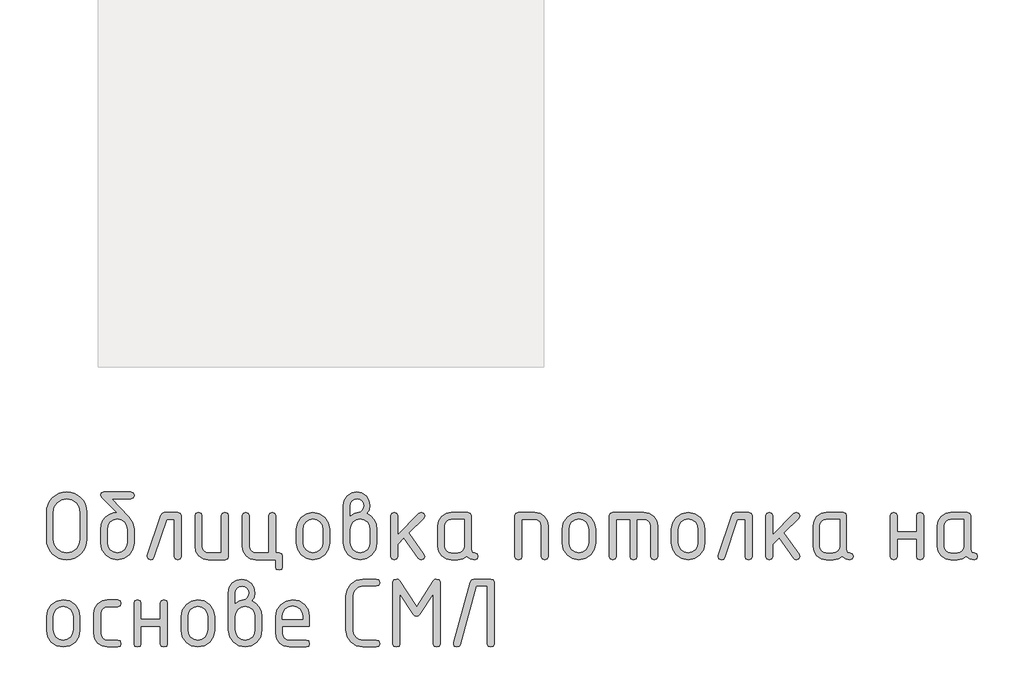
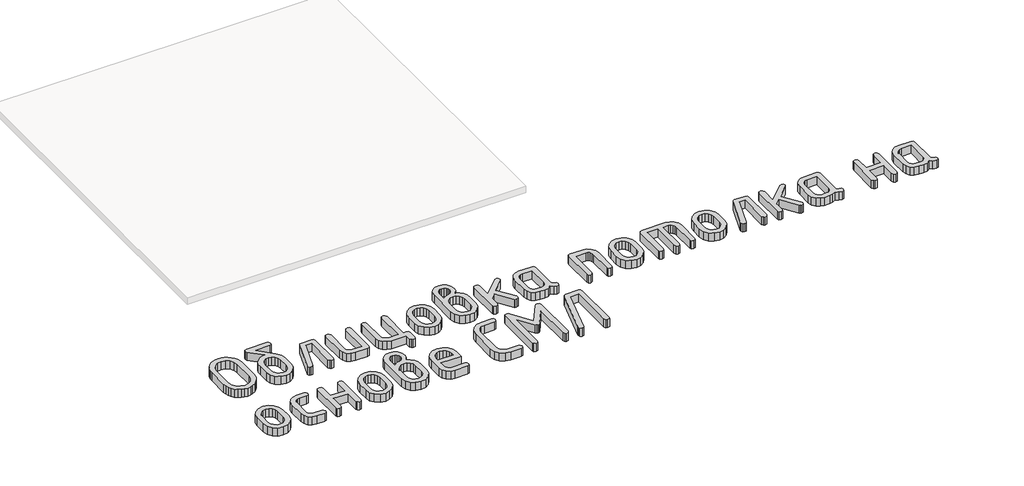
# One storey, part 25 of 33: 1 proxy.
"""IFC4 building model written with IfcOpenShell, lengths in millimetres."""

from ifc_helpers import new_model, si_unit, origin, origin_with_axes, place, context, project, spatial, polyline, outline, extrude, element, save

model = new_model("IFC4")

# Units and contexts
model_context = context("Model", 3, world=origin())
ifc_project = project(units=[si_unit("LENGTHUNIT", "METRE", prefix="MILLI")], contexts=[model_context])

# Site, building, storey
site = spatial("IfcSite", under=ifc_project)
building = spatial("IfcBuilding", under=site)
storey = spatial("IfcBuildingStorey", under=building, Elevation=0.0)

# Proxy
placement = place(None, origin())
element("IfcBuildingElementProxy", 1, Name="Generic Models", at=placement, inside=storey, context=model_context, shape_type="SweptSolid", body=[
    extrude(outline(polyline([(14447.5187326, 3042.3132523), (14445.8643368, 3024.0795908), (14440.9011492, 3007.2279551), (14432.62917, 2991.7583452), (14421.0483991, 2977.6707611), (14407.1272634, 2965.9487613), (14391.8341896, 2957.5759043), (14375.1691779, 2952.5521901), (14357.1322281, 2950.8776187), (14339.0952783, 2952.5521901), (14322.4302665, 2957.5759043), (14307.1371928, 2965.9487613), (14293.216057, 2977.6707611), (14281.6352861, 2991.7583452), (14273.3633069, 3007.2279551), (14268.4001194, 3024.0795908), (14266.7457235, 3042.3132523), (14266.7457235, 3164.173629), (14268.4001194, 3182.4072905), (14273.3633069, 3199.2589262), (14281.6352861, 3214.7285361), (14293.216057, 3228.8161202), (14307.1371928, 3240.53812), (14322.4302665, 3248.910977), (14339.0952783, 3253.9346912), (14357.1322281, 3255.6092626), (14375.2675337, 3253.942257), (14391.9855063, 3248.9412403), (14407.2861459, 3240.6062125), (14421.1694525, 3228.9371735), (14432.6972625, 3214.8874186), (14440.9314126, 3199.4102428), (14445.8719026, 3182.5056463), (14447.5187326, 3164.173629), (14447.5187326, 3042.3132523)]), holes=[polyline([(14416.5290739, 3042.555359), (14416.5290739, 3163.9315223), (14412.2215921, 3187.4562241), (14399.2991465, 3207.0265164), (14380.1424532, 3220.221332), (14357.1322281, 3224.6196039), (14334.122003, 3220.221332), (14314.9653097, 3207.0265164), (14302.0428641, 3187.4562241), (14297.7353822, 3163.9315223), (14297.7353822, 3042.555359), (14302.0428641, 3019.0306572), (14314.9653097, 2999.4603649), (14334.122003, 2986.2655493), (14357.1322281, 2981.8672774), (14380.1424532, 2986.2655493), (14399.2991465, 2999.4603649), (14412.2215921, 3019.0306572), (14416.5290739, 3042.555359)])]), origin_with_axes(), (0.0, 0.0, 1.0), 50.0),
    extrude(outline(polyline([(14659.2814004, 3087.7486113), (14659.2814004, 3026.8991252), (14653.8037361, 2997.6748279), (14637.3707433, 2973.1110848), (14613.1701602, 2956.4359852), (14584.3897252, 2950.8776187), (14555.6092902, 2956.446073), (14531.4087071, 2973.1514359), (14514.9757143, 2997.7656179), (14509.49805, 3027.0605297), (14509.49805, 3087.990718), (14512.0906094, 3109.4222056), (14519.8682874, 3127.797096), (14532.8310841, 3143.1153892), (14550.9789994, 3155.3770852), (14566.6957599, 3161.974493), (14581.242338, 3164.173629), (14514.6629931, 3231.156485), (14509.49805, 3240.1144332), (14513.2305284, 3251.7355552), (14524.4279637, 3255.6092626), (14644.3514867, 3255.6092626), (14655.548922, 3251.7355552), (14659.2814004, 3240.1144332), (14655.548922, 3228.4933112), (14644.3514867, 3224.6196039), (14559.372032, 3224.6196039), (14634.7479206, 3144.2401766), (14653.1480304, 3116.9628208), (14659.2814004, 3087.7486113)]), holes=[polyline([(14628.2917417, 3027.3833386), (14628.2917417, 3087.990718), (14625.07374, 3105.422401), (14615.419735, 3120.110208), (14601.2262292, 3130.0971097), (14584.3897252, 3133.426077), (14567.5532212, 3130.0971097), (14553.3597154, 3120.110208), (14543.7057104, 3105.422401), (14540.4877087, 3087.990718), (14540.4877087, 3027.3833386), (14543.675447, 3009.7902511), (14553.238662, 2995.1024441), (14567.4019045, 2985.1760691), (14584.3897252, 2981.8672774), (14601.2262292, 2985.1962446), (14615.419735, 2995.1831464), (14625.07374, 3009.8911289), (14628.2917417, 3027.3833386)])]), origin_with_axes(), (0.0, 0.0, 1.0), 50.0),
    extrude(outline(polyline([(14794.6190505, 3162.6402865), (14855.5492388, 3162.6402865), (14867.1703608, 3158.8674569), (14871.0440682, 3147.5489683), (14871.0440682, 2965.9689369), (14867.1703608, 2954.6504482), (14855.5492388, 2950.8776187), (14843.9281168, 2954.6504482), (14840.0544095, 2965.9689369), (14840.0544095, 3131.6506278), (14805.4331501, 3131.6506278), (14748.2959669, 2961.1268027), (14742.9897949, 2953.4399147), (14734.0116711, 2950.8776187), (14722.6326558, 2954.7109749), (14718.8396507, 2966.2110436), (14719.5659708, 2970.811071), (14779.4470301, 3150.2928443), (14785.3382933, 3159.5534259), (14794.6190505, 3162.6402865)])), origin_with_axes(), (0.0, 0.0, 1.0), 50.0),
    extrude(outline(polyline([(15082.8067359, 3147.5489683), (15082.8067359, 2965.9689369), (15079.054082, 2954.6504482), (15067.79612, 2950.8776187), (14992.9044448, 2950.8776187), (14969.6823764, 2955.255715), (14950.3743663, 2968.390004), (14937.3611308, 2987.8997696), (14933.0233856, 3011.4042958), (14933.0233856, 3147.5489683), (14936.8970929, 3158.8674569), (14948.5182149, 3162.6402865), (14960.1393369, 3158.8674569), (14964.0130443, 3147.5489683), (14964.0130443, 3011.9692115), (14966.1718291, 3000.5397573), (14972.6481835, 2990.7848745), (14982.1306963, 2984.0966767), (14993.307956, 2981.8672774), (15051.8170772, 2981.8672774), (15051.8170772, 3147.5489683), (15055.6907846, 3158.8674569), (15067.3119066, 3162.6402865), (15078.9330286, 3158.8674569), (15082.8067359, 3147.5489683)])), origin_with_axes(), (0.0, 0.0, 1.0), 50.0),
    extrude(outline(polyline([(15310.0642331, 2981.8672774), (15321.6853551, 2977.9935701), (15325.5590624, 2966.3724481), (15325.5590624, 2919.88796), (15321.6853551, 2908.266838), (15310.0642331, 2904.3931307), (15298.4431111, 2908.266838), (15294.5694037, 2919.88796), (15294.5694037, 2950.8776187), (15204.6671126, 2950.8776187), (15181.4450441, 2955.2859784), (15162.1370341, 2968.5110573), (15149.1237985, 2988.0510862), (15144.7860533, 3011.4042958), (15144.7860533, 3147.5489683), (15148.6597607, 3158.8674569), (15160.2808827, 3162.6402865), (15171.9020047, 3158.8674569), (15175.775712, 3147.5489683), (15175.775712, 3011.9692115), (15177.9344969, 3000.5397573), (15184.4108513, 2990.7848745), (15193.8933641, 2984.0966767), (15205.0706238, 2981.8672774), (15263.579745, 2981.8672774), (15263.579745, 3147.5489683), (15267.4534524, 3158.8674569), (15279.0745744, 3162.6402865), (15290.6956964, 3158.8674569), (15294.5694037, 3147.5489683), (15294.5694037, 2981.8672774), (15310.0642331, 2981.8672774)])), origin_with_axes(), (0.0, 0.0, 1.0), 50.0),
    extrude(outline(polyline([(15387.5383798, 3026.495614), (15387.5383798, 3087.0222912), (15393.0160441, 3116.0952718), (15409.4490369, 3140.5278738), (15433.64962, 3157.1121833), (15462.430055, 3162.6402865), (15491.5131234, 3157.17271), (15515.6531798, 3140.7699805), (15531.9045926, 3116.3979051), (15537.3217302, 3087.0222912), (15537.3217302, 3026.495614), (15531.8440659, 2997.4226334), (15515.4110731, 2972.9900314), (15491.21049, 2956.4057219), (15462.430055, 2950.8776187), (15433.64962, 2956.4057219), (15409.4490369, 2972.9900314), (15393.0160441, 2997.4226334), (15387.5383798, 3026.495614)]), holes=[polyline([(15506.3320715, 3027.3833386), (15506.3320715, 3087.990718), (15503.1140698, 3105.422401), (15493.4600648, 3120.110208), (15479.266559, 3130.0971097), (15462.430055, 3133.426077), (15445.593551, 3130.0971097), (15431.4000452, 3120.110208), (15421.7460402, 3105.422401), (15418.5280385, 3087.990718), (15418.5280385, 3027.3833386), (15421.7157768, 3009.7902511), (15431.2789918, 2995.1024441), (15445.4422343, 2985.1760691), (15462.430055, 2981.8672774), (15479.266559, 2985.1962446), (15493.4600648, 2995.1831464), (15503.1140698, 3009.8911289), (15506.3320715, 3027.3833386)])]), origin_with_axes(), (0.0, 0.0, 1.0), 50.0),
    extrude(outline(polyline([(15704.1332524, 3157.9595568), (15722.6645034, 3146.5704537), (15736.9387114, 3129.9962319), (15746.0479763, 3109.9114629), (15749.084398, 3087.990718), (15749.084398, 3027.0605297), (15743.6067337, 2997.6143012), (15727.1737408, 2973.0303825), (15702.9731578, 2956.4158097), (15674.1927228, 2950.8776187), (15645.2609711, 2956.446073), (15621.0906514, 2973.1514359), (15604.7484485, 2997.7656179), (15599.3010476, 3027.0605297), (15599.3010476, 3194.6790742), (15603.628705, 3218.2844783), (15616.6116773, 3237.9354728), (15635.7885461, 3251.1908151), (15658.6978934, 3255.6092626), (15681.7081185, 3251.1605518), (15700.8648118, 3237.8144195), (15713.7872574, 3218.1331616), (15718.0947393, 3194.6790742), (15714.6043676, 3173.9587751), (15704.1332524, 3157.9595568)]), holes=[polyline([(15718.0947393, 3027.3833386), (15718.0947393, 3087.990718), (15714.9070009, 3105.422401), (15705.343786, 3120.110208), (15691.1805435, 3130.0971097), (15674.1927228, 3133.426077), (15657.2049021, 3130.0971097), (15643.0416596, 3120.110208), (15633.4784446, 3105.422401), (15630.2907063, 3087.990718), (15630.2907063, 3027.3833386), (15633.4784446, 3009.7902511), (15643.0416596, 2995.1024441), (15657.2049021, 2985.1760691), (15674.1927228, 2981.8672774), (15691.1805435, 2985.1962446), (15705.343786, 2995.1831464), (15714.9070009, 3009.8911289), (15718.0947393, 3027.3833386)]), polyline([(15630.2907063, 3147.8717773), (15648.7715184, 3159.1902659), (15665.6382857, 3162.9630954), (15674.7172873, 3165.6060937), (15683.0699688, 3173.5350884), (15688.9410564, 3183.4009367), (15690.8980857, 3193.3071362), (15688.7191253, 3205.1098383), (15682.1822442, 3214.8546333), (15672.4172736, 3221.3915144), (15660.5540449, 3223.5704748), (15648.9026595, 3221.3612511), (15639.1276012, 3214.7335799), (15632.49993, 3204.9585216), (15630.2907063, 3193.3071362), (15630.2907063, 3147.8717773)])]), origin_with_axes(), (0.0, 0.0, 1.0), 50.0),
    extrude(outline(polyline([(15842.0533741, 3063.2151315), (15937.2820128, 3158.2823657), (15948.0961124, 3162.6402865), (15959.4751277, 3158.8674569), (15963.2681328, 3147.5489683), (15958.6681054, 3136.9769754), (15892.0887605, 3070.4783327), (15960.2821501, 2974.6847784), (15963.2681328, 2965.8075324), (15959.4751277, 2954.6100971), (15948.0961124, 2950.8776187), (15940.9539645, 2952.4916634), (15935.5065636, 2957.3337976), (15870.2991567, 3048.9308357), (15842.0533741, 3020.685053), (15842.0533741, 2966.0496391), (15838.1796667, 2954.6706238), (15826.5585447, 2950.8776187), (15814.9374227, 2954.6504482), (15811.0637154, 2965.9689369), (15811.0637154, 3147.5489683), (15814.9374227, 3158.8674569), (15826.5585447, 3162.6402865), (15838.1796667, 3158.8674569), (15842.0533741, 3147.5489683), (15842.0533741, 3063.2151315)])), origin_with_axes(), (0.0, 0.0, 1.0), 50.0),
    extrude(outline(polyline([(16202.8730721, 2965.9689369), (16199.1002426, 2954.6504482), (16187.7817539, 2950.8776187), (16168.6351484, 2954.892555), (16153.3218991, 2966.9373637), (16134.9016137, 2954.892555), (16112.7286743, 2950.8776187), (16082.7074424, 2950.8776187), (16059.4853739, 2955.255715), (16040.1773639, 2968.390004), (16027.1641283, 2987.8997696), (16022.8263831, 3011.4042958), (16022.8263831, 3102.1136093), (16027.1641283, 3125.6181356), (16040.1773639, 3145.1279012), (16059.4853739, 3158.2621902), (16082.7074424, 3162.6402865), (16157.5991176, 3162.6402865), (16168.8570795, 3158.8674569), (16172.6097335, 3147.5489683), (16172.6097335, 2996.2322754), (16176.3926508, 2984.9137868), (16187.7414028, 2981.1409573), (16199.0901548, 2977.3479522), (16202.8730721, 2965.9689369)]), holes=[polyline([(16141.6200748, 3131.6506278), (16083.1109536, 3131.6506278), (16071.8328161, 3129.4615796), (16062.3704789, 3122.8944352), (16055.9546511, 3113.2202546), (16053.8160418, 3101.7100982), (16053.8160418, 3011.807807), (16055.9748267, 3000.3985284), (16062.4511811, 2990.7041723), (16071.9336939, 2984.0765011), (16083.1109536, 2981.8672774), (16112.3251631, 2981.8672774), (16123.6033006, 2984.0563256), (16133.0656378, 2990.62347), (16139.4814656, 3000.2976506), (16141.6200748, 3011.807807), (16141.6200748, 3131.6506278)])]), origin_with_axes(), (0.0, 0.0, 1.0), 50.0),
    extrude(outline(polyline([(16368.877572, 2965.9689369), (16368.877572, 3147.5489683), (16372.6302259, 3158.8674569), (16383.8881879, 3162.6402865), (16458.7798631, 3162.6402865), (16481.8506148, 3158.2319268), (16501.1888882, 3145.0068479), (16514.2929138, 3125.4668189), (16518.6609223, 3102.1136093), (16518.6609223, 2965.9689369), (16514.787215, 2954.6504482), (16503.166093, 2950.8776187), (16491.544971, 2954.6504482), (16487.6712636, 2965.9689369), (16487.6712636, 3101.5486937), (16485.5629177, 3113.2807813), (16479.23788, 3122.9751374), (16469.8058061, 3129.4817552), (16458.3763519, 3131.6506278), (16399.8672307, 3131.6506278), (16399.8672307, 2965.9689369), (16395.9935233, 2954.6504482), (16384.3724013, 2950.8776187), (16372.7512793, 2954.6504482), (16368.877572, 2965.9689369)])), origin_with_axes(), (0.0, 0.0, 1.0), 50.0),
    extrude(outline(polyline([(16580.6402397, 3026.495614), (16580.6402397, 3087.0222912), (16586.117904, 3116.0952718), (16602.5508969, 3140.5278738), (16626.7514799, 3157.1121833), (16655.5319149, 3162.6402865), (16684.6149833, 3157.17271), (16708.7550397, 3140.7699805), (16725.0064525, 3116.3979051), (16730.4235901, 3087.0222912), (16730.4235901, 3026.495614), (16724.9459258, 2997.4226334), (16708.512933, 2972.9900314), (16684.3123499, 2956.4057219), (16655.5319149, 2950.8776187), (16626.7514799, 2956.4057219), (16602.5508969, 2972.9900314), (16586.117904, 2997.4226334), (16580.6402397, 3026.495614)]), holes=[polyline([(16699.4339314, 3027.3833386), (16699.4339314, 3087.990718), (16696.2159297, 3105.422401), (16686.5619247, 3120.110208), (16672.3684189, 3130.0971097), (16655.5319149, 3133.426077), (16638.6954109, 3130.0971097), (16624.5019051, 3120.110208), (16614.8479001, 3105.422401), (16611.6298984, 3087.990718), (16611.6298984, 3027.3833386), (16614.8176368, 3009.7902511), (16624.3808517, 2995.1024441), (16638.5440942, 2985.1760691), (16655.5319149, 2981.8672774), (16672.3684189, 2985.1962446), (16686.5619247, 2995.1831464), (16696.2159297, 3009.8911289), (16699.4339314, 3027.3833386)])]), origin_with_axes(), (0.0, 0.0, 1.0), 50.0),
    extrude(outline(polyline([(16807.8977369, 3162.6402865), (16947.351201, 3162.6402865), (16971.2390629, 3158.2319268), (16991.2532175, 3145.0068479), (17004.8111932, 3125.4668189), (17009.3305184, 3102.1136093), (17009.3305184, 2965.9689369), (17005.4568111, 2954.6504482), (16993.8356891, 2950.8776187), (16982.214567, 2954.6504482), (16978.3408597, 2965.9689369), (16978.3408597, 3101.5486937), (16976.1114604, 3113.2807813), (16969.4232626, 3122.9751374), (16959.4464487, 3129.4817552), (16947.351201, 3131.6506278), (16916.3615423, 3131.6506278), (16916.3615423, 2965.9689369), (16912.487835, 2954.6504482), (16900.866713, 2950.8776187), (16889.2455909, 2954.6504482), (16885.3718836, 2965.9689369), (16885.3718836, 3131.6506278), (16823.3925662, 3131.6506278), (16823.3925662, 2965.9689369), (16819.5188589, 2954.6504482), (16807.8977369, 2950.8776187), (16796.2766148, 2954.6504482), (16792.4029075, 2965.9689369), (16792.4029075, 3147.5489683), (16796.2766148, 3158.8674569), (16807.8977369, 3162.6402865)])), origin_with_axes(), (0.0, 0.0, 1.0), 50.0),
    extrude(outline(polyline([(17071.3098358, 3026.495614), (17071.3098358, 3087.0222912), (17076.7875001, 3116.0952718), (17093.2204929, 3140.5278738), (17117.421076, 3157.1121833), (17146.201511, 3162.6402865), (17175.2845794, 3157.17271), (17199.4246358, 3140.7699805), (17215.6760486, 3116.3979051), (17221.0931862, 3087.0222912), (17221.0931862, 3026.495614), (17215.6155219, 2997.4226334), (17199.182529, 2972.9900314), (17174.981946, 2956.4057219), (17146.201511, 2950.8776187), (17117.421076, 2956.4057219), (17093.2204929, 2972.9900314), (17076.7875001, 2997.4226334), (17071.3098358, 3026.495614)]), holes=[polyline([(17190.1035275, 3027.3833386), (17190.1035275, 3087.990718), (17186.8855258, 3105.422401), (17177.2315208, 3120.110208), (17163.038015, 3130.0971097), (17146.201511, 3133.426077), (17129.365007, 3130.0971097), (17115.1715012, 3120.110208), (17105.5174962, 3105.422401), (17102.2994945, 3087.990718), (17102.2994945, 3027.3833386), (17105.4872328, 3009.7902511), (17115.0504478, 2995.1024441), (17129.2136903, 2985.1760691), (17146.201511, 2981.8672774), (17163.038015, 2985.1962446), (17177.2315208, 2995.1831464), (17186.8855258, 3009.8911289), (17190.1035275, 3027.3833386)])]), origin_with_axes(), (0.0, 0.0, 1.0), 50.0),
    extrude(outline(polyline([(17356.4308363, 3162.6402865), (17417.3610246, 3162.6402865), (17428.9821466, 3158.8674569), (17432.855854, 3147.5489683), (17432.855854, 2965.9689369), (17428.9821466, 2954.6504482), (17417.3610246, 2950.8776187), (17405.7399026, 2954.6504482), (17401.8661953, 2965.9689369), (17401.8661953, 3131.6506278), (17367.2449359, 3131.6506278), (17310.1077527, 2961.1268027), (17304.8015807, 2953.4399147), (17295.8234569, 2950.8776187), (17284.4444416, 2954.7109749), (17280.6514365, 2966.2110436), (17281.3777566, 2970.811071), (17341.2588159, 3150.2928443), (17347.1500791, 3159.5534259), (17356.4308363, 3162.6402865)])), origin_with_axes(), (0.0, 0.0, 1.0), 50.0),
    extrude(outline(polyline([(17525.82483, 3063.2151315), (17621.0534688, 3158.2823657), (17631.8675684, 3162.6402865), (17643.2465837, 3158.8674569), (17647.0395888, 3147.5489683), (17642.4395614, 3136.9769754), (17575.8602165, 3070.4783327), (17644.0536061, 2974.6847784), (17647.0395888, 2965.8075324), (17643.2465837, 2954.6100971), (17631.8675684, 2950.8776187), (17624.7254205, 2952.4916634), (17619.2780196, 2957.3337976), (17554.0706127, 3048.9308357), (17525.82483, 3020.685053), (17525.82483, 2966.0496391), (17521.9511227, 2954.6706238), (17510.3300007, 2950.8776187), (17498.7088787, 2954.6504482), (17494.8351714, 2965.9689369), (17494.8351714, 3147.5489683), (17498.7088787, 3158.8674569), (17510.3300007, 3162.6402865), (17521.9511227, 3158.8674569), (17525.82483, 3147.5489683), (17525.82483, 3063.2151315)])), origin_with_axes(), (0.0, 0.0, 1.0), 50.0),
    extrude(outline(polyline([(17886.6445281, 2965.9689369), (17882.8716985, 2954.6504482), (17871.5532099, 2950.8776187), (17852.4066044, 2954.892555), (17837.0933551, 2966.9373637), (17818.6730696, 2954.892555), (17796.5001302, 2950.8776187), (17766.4788984, 2950.8776187), (17743.2568299, 2955.255715), (17723.9488199, 2968.390004), (17710.9355843, 2987.8997696), (17706.5978391, 3011.4042958), (17706.5978391, 3102.1136093), (17710.9355843, 3125.6181356), (17723.9488199, 3145.1279012), (17743.2568299, 3158.2621902), (17766.4788984, 3162.6402865), (17841.3705736, 3162.6402865), (17852.6285355, 3158.8674569), (17856.3811895, 3147.5489683), (17856.3811895, 2996.2322754), (17860.1641068, 2984.9137868), (17871.5128588, 2981.1409573), (17882.8616108, 2977.3479522), (17886.6445281, 2965.9689369)]), holes=[polyline([(17825.3915308, 3131.6506278), (17766.8824096, 3131.6506278), (17755.6042721, 3129.4615796), (17746.1419349, 3122.8944352), (17739.7261071, 3113.2202546), (17737.5874978, 3101.7100982), (17737.5874978, 3011.807807), (17739.7462826, 3000.3985284), (17746.2226371, 2990.7041723), (17755.7051499, 2984.0765011), (17766.8824096, 2981.8672774), (17796.0966191, 2981.8672774), (17807.3747566, 2984.0563256), (17816.8370938, 2990.62347), (17823.2529215, 3000.2976506), (17825.3915308, 3011.807807), (17825.3915308, 3131.6506278)])]), origin_with_axes(), (0.0, 0.0, 1.0), 50.0),
    extrude(outline(polyline([(18083.6386866, 3043.8465948), (18083.6386866, 2966.3724481), (18079.7649793, 2954.751326), (18068.1438573, 2950.8776187), (18056.5227353, 2954.6504482), (18052.6490279, 2965.9689369), (18052.6490279, 3147.5489683), (18056.5227353, 3158.8674569), (18068.1438573, 3162.6402865), (18079.7649793, 3158.9885103), (18083.6386866, 3148.0331817), (18083.6386866, 3074.8362535), (18171.4427196, 3074.8362535), (18171.4427196, 3148.0331817), (18175.3164269, 3158.9885103), (18186.937549, 3162.6402865), (18198.558671, 3158.8674569), (18202.4323783, 3147.5489683), (18202.4323783, 2965.9689369), (18198.558671, 2954.6504482), (18186.937549, 2950.8776187), (18175.3164269, 2954.751326), (18171.4427196, 2966.3724481), (18171.4427196, 3043.8465948), (18083.6386866, 3043.8465948)])), origin_with_axes(), (0.0, 0.0, 1.0), 50.0),
    extrude(outline(polyline([(18444.4583847, 2965.9689369), (18440.6855551, 2954.6504482), (18429.3670665, 2950.8776187), (18410.220461, 2954.892555), (18394.9072116, 2966.9373637), (18376.4869262, 2954.892555), (18354.3139868, 2950.8776187), (18324.292755, 2950.8776187), (18301.0706865, 2955.255715), (18281.7626765, 2968.390004), (18268.7494409, 2987.8997696), (18264.4116957, 3011.4042958), (18264.4116957, 3102.1136093), (18268.7494409, 3125.6181356), (18281.7626765, 3145.1279012), (18301.0706865, 3158.2621902), (18324.292755, 3162.6402865), (18399.1844302, 3162.6402865), (18410.4423921, 3158.8674569), (18414.1950461, 3147.5489683), (18414.1950461, 2996.2322754), (18417.9779634, 2984.9137868), (18429.3267154, 2981.1409573), (18440.6754673, 2977.3479522), (18444.4583847, 2965.9689369)]), holes=[polyline([(18383.2053874, 3131.6506278), (18324.6962661, 3131.6506278), (18313.4181286, 3129.4615796), (18303.9557914, 3122.8944352), (18297.5399637, 3113.2202546), (18295.4013544, 3101.7100982), (18295.4013544, 3011.807807), (18297.5601392, 3000.3985284), (18304.0364937, 2990.7041723), (18313.5190064, 2984.0765011), (18324.6962661, 2981.8672774), (18353.9104756, 2981.8672774), (18365.1886132, 2984.0563256), (18374.6509504, 2990.62347), (18381.0667781, 3000.2976506), (18383.2053874, 3011.807807), (18383.2053874, 3131.6506278)])]), origin_with_axes(), (0.0, 0.0, 1.0), 50.0),
    extrude(outline(polyline([(14266.7457235, 2634.4471228), (14266.7457235, 2694.9738), (14272.2233878, 2724.0467806), (14288.6563807, 2748.4793826), (14312.8569637, 2765.0636921), (14341.6373987, 2770.5917953), (14370.7204671, 2765.1242188), (14394.8605235, 2748.7214893), (14411.1119363, 2724.349414), (14416.5290739, 2694.9738), (14416.5290739, 2634.4471228), (14411.0514096, 2605.3741422), (14394.6184168, 2580.9415402), (14370.4178337, 2564.3572307), (14341.6373987, 2558.8291275), (14312.8569637, 2564.3572307), (14288.6563807, 2580.9415402), (14272.2233878, 2605.3741422), (14266.7457235, 2634.4471228)]), holes=[polyline([(14385.5394152, 2635.3348474), (14385.5394152, 2695.9422268), (14382.3214135, 2713.3739098), (14372.6674085, 2728.0617168), (14358.4739028, 2738.0486185), (14341.6373987, 2741.3775858), (14324.8008947, 2738.0486185), (14310.6073889, 2728.0617168), (14300.9533839, 2713.3739098), (14297.7353822, 2695.9422268), (14297.7353822, 2635.3348474), (14300.9231206, 2617.7417599), (14310.4863356, 2603.053953), (14324.649578, 2593.1275779), (14341.6373987, 2589.8187862), (14358.4739028, 2593.1477535), (14372.6674085, 2603.1346552), (14382.3214135, 2617.8426377), (14385.5394152, 2635.3348474)])]), origin_with_axes(), (0.0, 0.0, 1.0), 50.0),
    extrude(outline(polyline([(14509.49805, 2709.661607), (14509.49805, 2619.7593158), (14511.7375371, 2608.3500372), (14518.4559982, 2598.6556811), (14528.2613199, 2592.0280099), (14539.7613886, 2589.8187862), (14585.2774498, 2589.8187862), (14596.5959384, 2585.9450789), (14600.368768, 2574.3239569), (14596.5959384, 2562.7028349), (14585.2774498, 2558.8291275), (14539.7613886, 2558.8291275), (14516.2165112, 2563.2072238), (14496.4242878, 2576.3415128), (14482.9873654, 2595.8512784), (14478.5083913, 2619.3558047), (14478.5083913, 2710.0651181), (14482.9873654, 2733.5696444), (14496.4242878, 2753.07941), (14516.2165112, 2766.213699), (14539.7613886, 2770.5917953), (14585.2774498, 2770.5917953), (14596.5959384, 2766.718088), (14600.368768, 2755.0969659), (14596.5959384, 2743.4758439), (14585.2774498, 2739.6021366), (14539.7613886, 2739.6021366), (14528.1100032, 2737.4130884), (14518.3349449, 2730.845944), (14511.7072737, 2721.1717634), (14509.49805, 2709.661607)])), origin_with_axes(), (0.0, 0.0, 1.0), 50.0),
    extrude(outline(polyline([(14690.2710591, 2651.7981036), (14690.2710591, 2574.3239569), (14686.3973518, 2562.7028349), (14674.7762297, 2558.8291275), (14663.1551077, 2562.6019571), (14659.2814004, 2573.9204457), (14659.2814004, 2755.5004771), (14663.1551077, 2766.8189658), (14674.7762297, 2770.5917953), (14686.3973518, 2766.9400191), (14690.2710591, 2755.9846905), (14690.2710591, 2682.7877623), (14778.0750921, 2682.7877623), (14778.0750921, 2755.9846905), (14781.9487994, 2766.9400191), (14793.5699214, 2770.5917953), (14805.1910434, 2766.8189658), (14809.0647508, 2755.5004771), (14809.0647508, 2573.9204457), (14805.1910434, 2562.6019571), (14793.5699214, 2558.8291275), (14781.9487994, 2562.7028349), (14778.0750921, 2574.3239569), (14778.0750921, 2651.7981036), (14690.2710591, 2651.7981036)])), origin_with_axes(), (0.0, 0.0, 1.0), 50.0),
    extrude(outline(polyline([(14871.0440682, 2634.4471228), (14871.0440682, 2694.9738), (14876.5217325, 2724.0467806), (14892.9547253, 2748.4793826), (14917.1553084, 2765.0636921), (14945.9357434, 2770.5917953), (14975.0188117, 2765.1242188), (14999.1588681, 2748.7214893), (15015.4102809, 2724.349414), (15020.8274185, 2694.9738), (15020.8274185, 2634.4471228), (15015.3497543, 2605.3741422), (14998.9167614, 2580.9415402), (14974.7161783, 2564.3572307), (14945.9357434, 2558.8291275), (14917.1553084, 2564.3572307), (14892.9547253, 2580.9415402), (14876.5217325, 2605.3741422), (14871.0440682, 2634.4471228)]), holes=[polyline([(14989.8377598, 2635.3348474), (14989.8377598, 2695.9422268), (14986.6197582, 2713.3739098), (14976.9657532, 2728.0617168), (14962.7722474, 2738.0486185), (14945.9357434, 2741.3775858), (14929.0992393, 2738.0486185), (14914.9057335, 2728.0617168), (14905.2517285, 2713.3739098), (14902.0337269, 2695.9422268), (14902.0337269, 2635.3348474), (14905.2214652, 2617.7417599), (14914.7846802, 2603.053953), (14928.9479226, 2593.1275779), (14945.9357434, 2589.8187862), (14962.7722474, 2593.1477535), (14976.9657532, 2603.1346552), (14986.6197582, 2617.8426377), (14989.8377598, 2635.3348474)])]), origin_with_axes(), (0.0, 0.0, 1.0), 50.0),
    extrude(outline(polyline([(15187.6389408, 2765.9110656), (15206.1701917, 2754.5219625), (15220.4443998, 2737.9477408), (15229.5536647, 2717.8629717), (15232.5900863, 2695.9422268), (15232.5900863, 2635.0120385), (15227.112422, 2605.5658101), (15210.6794292, 2580.9818914), (15186.4788461, 2564.3673185), (15157.6984111, 2558.8291275), (15128.7666595, 2564.3975818), (15104.5963397, 2581.1029447), (15088.2541369, 2605.7171267), (15082.8067359, 2635.0120385), (15082.8067359, 2802.6305831), (15087.1343934, 2826.2359871), (15100.1173656, 2845.8869817), (15119.2942345, 2859.142324), (15142.2035818, 2863.5607714), (15165.2138069, 2859.1120606), (15184.3705002, 2845.7659283), (15197.2929458, 2826.0846705), (15201.6004276, 2802.6305831), (15198.1100559, 2781.9102839), (15187.6389408, 2765.9110656)]), holes=[polyline([(15113.7963946, 2755.8232861), (15132.2772067, 2767.1417747), (15149.1439741, 2770.9146042), (15158.2229757, 2773.5576025), (15166.5756571, 2781.4865972), (15172.4467448, 2791.3524456), (15174.403774, 2801.258645), (15172.2248136, 2813.0613471), (15165.6879325, 2822.8061421), (15155.9229619, 2829.3430232), (15144.0597332, 2831.5219836), (15132.4083479, 2829.3127599), (15122.6332895, 2822.6850888), (15116.0056184, 2812.9100304), (15113.7963946, 2801.258645), (15113.7963946, 2755.8232861)]), polyline([(15201.6004276, 2635.3348474), (15201.6004276, 2695.9422268), (15198.4126893, 2713.3739098), (15188.8494743, 2728.0617168), (15174.6862319, 2738.0486185), (15157.6984111, 2741.3775858), (15140.7105904, 2738.0486185), (15126.547348, 2728.0617168), (15116.984133, 2713.3739098), (15113.7963946, 2695.9422268), (15113.7963946, 2635.3348474), (15116.984133, 2617.7417599), (15126.547348, 2603.053953), (15140.7105904, 2593.1275779), (15157.6984111, 2589.8187862), (15174.6862319, 2593.1477535), (15188.8494743, 2603.1346552), (15198.4126893, 2617.8426377), (15201.6004276, 2635.3348474)])]), origin_with_axes(), (0.0, 0.0, 1.0), 50.0),
    extrude(outline(polyline([(15325.5590624, 2651.7981036), (15325.5590624, 2620.8084449), (15327.7985495, 2609.0158307), (15334.5170106, 2598.97849), (15344.3223323, 2592.1087122), (15355.822401, 2589.8187862), (15431.6018008, 2589.8187862), (15442.9808161, 2585.9450789), (15446.7738212, 2574.3239569), (15442.9808161, 2562.7028349), (15431.6018008, 2558.8291275), (15355.822401, 2558.8291275), (15332.2775236, 2563.2072238), (15312.4853002, 2576.3415128), (15299.0483778, 2595.8512784), (15294.5694037, 2619.3558047), (15294.5694037, 2694.9738), (15300.1882969, 2724.0467806), (15317.0449765, 2748.4793826), (15341.7701241, 2765.0636921), (15370.9944214, 2770.5917953), (15400.4406498, 2765.2250966), (15424.8631641, 2749.1250005), (15441.2961569, 2725.1967874), (15446.7738212, 2696.345738), (15446.7738212, 2651.7981036), (15325.5590624, 2651.7981036)]), holes=[polyline([(15370.9944214, 2743.3951417), (15353.5627384, 2740.0661745), (15338.8749314, 2730.0792727), (15328.8880297, 2715.3914657), (15325.5590624, 2697.9597827), (15325.5590624, 2682.7877623), (15416.4297804, 2682.7877623), (15416.4297804, 2697.9597827), (15413.1008131, 2715.3914657), (15403.1139114, 2730.0792727), (15388.4261044, 2740.0661745), (15370.9944214, 2743.3951417)])]), origin_with_axes(), (0.0, 0.0, 1.0), 50.0),
    extrude(outline(polyline([(15746.6633309, 2863.5607714), (15758.0423462, 2859.6870641), (15761.8353513, 2848.065942), (15758.0423462, 2836.44482), (15746.6633309, 2832.5711127), (15686.0559515, 2832.5711127), (15663.1768675, 2826.9421317), (15646.8346647, 2810.0551888), (15642.1741106, 2799.019158), (15640.6205925, 2787.0550515), (15640.6205925, 2635.3348474), (15643.9495598, 2617.8426377), (15653.9364615, 2603.1346552), (15668.6242685, 2593.1477535), (15686.0559515, 2589.8187862), (15746.6633309, 2589.8187862), (15758.0423462, 2585.9450789), (15761.8353513, 2574.3239569), (15758.0423462, 2562.7028349), (15746.6633309, 2558.8291275), (15686.0559515, 2558.8291275), (15656.8316542, 2564.3975818), (15632.1065066, 2581.1029447), (15615.249827, 2605.7171267), (15609.6309338, 2635.0120385), (15609.6309338, 2787.3778604), (15615.249827, 2816.6727722), (15632.1065066, 2841.2869542), (15656.8316542, 2857.9923171), (15686.0559515, 2863.5607714), (15746.6633309, 2863.5607714)])), origin_with_axes(), (0.0, 0.0, 1.0), 50.0),
    extrude(outline(polyline([(16016.3702043, 2863.5607714), (16028.9597531, 2859.7475907), (16033.1562694, 2848.3080487), (16033.1562694, 2574.0818502), (16029.282562, 2562.6423082), (16017.66144, 2558.8291275), (16006.040318, 2562.6423082), (16002.1666107, 2574.0818502), (16002.1666107, 2798.1919601), (15941.1557201, 2705.6264952), (15934.618839, 2698.7869806), (15927.2749355, 2696.5071425), (15919.8099786, 2698.7869806), (15913.2327464, 2705.6264952), (15852.3832603, 2798.1919601), (15852.3832603, 2574.0818502), (15848.509553, 2562.6423082), (15836.888431, 2558.8291275), (15825.2673089, 2562.6423082), (15821.3936016, 2574.0818502), (15821.3936016, 2848.3080487), (15825.5094157, 2859.7475907), (15837.8568578, 2863.5607714), (15846.0077836, 2861.6642688), (15852.3832603, 2855.9747612), (15927.0328288, 2738.8758165), (16002.1666107, 2856.8624858), (16008.1385762, 2861.8862), (16016.3702043, 2863.5607714)])), origin_with_axes(), (0.0, 0.0, 1.0), 50.0),
    extrude(outline(polyline([(16183.8273444, 2863.5607714), (16260.4137665, 2863.5607714), (16272.0348885, 2859.7475907), (16275.9085959, 2848.3080487), (16275.9085959, 2574.0818502), (16272.0348885, 2562.6423082), (16260.4137665, 2558.8291275), (16248.7926445, 2562.6221326), (16244.9189372, 2574.0011479), (16244.9189372, 2832.5711127), (16195.7712753, 2832.5711127), (16122.9778583, 2569.4011205), (16117.8734418, 2561.4721258), (16108.532158, 2558.8291275), (16097.1531427, 2562.6423082), (16093.3601376, 2574.0818502), (16094.5706711, 2579.5696022), (16168.655324, 2848.3080487), (16174.5465872, 2859.7475907), (16183.8273444, 2863.5607714)])), origin_with_axes(), (0.0, 0.0, 1.0), 50.0),
])

save(model, "model.ifc")
